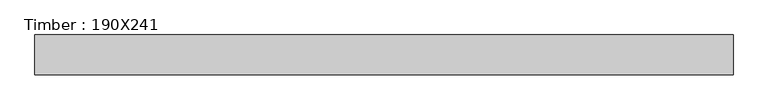
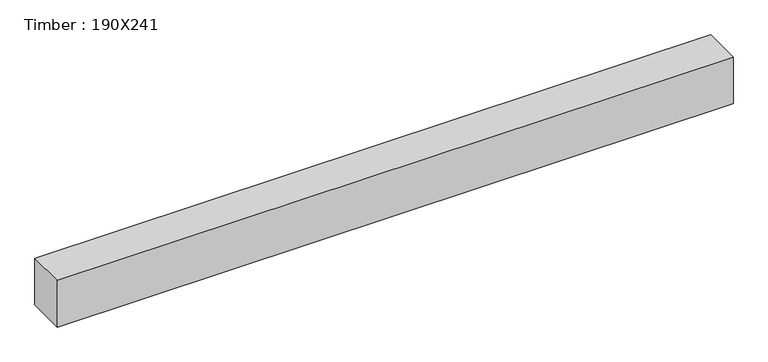
"""IFC4 building model written with IfcOpenShell, lengths in millimetres: beam geometry, Timber : 190X241."""

import ifcopenshell
import ifcopenshell.guid

model = None  # the IFC model being written
_history = None  # IfcOwnerHistory: only IFC2X3 demands one
_inside = {}  # id of a spatial element -> (the spatial element, [elements in it])
_under = {}  # id of a project, library or spatial element -> (it, [spatial elements below it])
_declared = {}  # id of a project -> (the project, [libraries it declares])
_typed = {}  # id of a type object -> (the type object, [elements of that type])
_made_of = {}  # id of a material, layer set ... -> (it, [elements and type objects made of it])


def new_model(schema):
    """Start an empty IFC model of exactly this schema.

    Asked for "IFC4X3", IfcOpenShell would pick the latest addendum, in which some entities
    have other attributes; the version numbers below select the first issue.
    IFC2X3 requires an IfcOwnerHistory on every rooted entity: one is made here for all.
    """
    global model, _history
    if schema == "IFC4X3":
        model = ifcopenshell.file(schema_version=(4, 3, 0, 0))
    else:
        model = ifcopenshell.file(schema=schema)
    _inside.clear()
    _under.clear()
    _declared.clear()
    _typed.clear()
    _made_of.clear()
    _history = None
    if model.schema == "IFC2X3":
        org = make("IfcOrganization", Name="unknown")
        user = make(
            "IfcPersonAndOrganization",
            ThePerson=make("IfcPerson", FamilyName="unknown"),
            TheOrganization=org,
        )
        app = make(
            "IfcApplication",
            ApplicationDeveloper=org,
            Version="unknown",
            ApplicationFullName="unknown",
            ApplicationIdentifier="unknown",
        )
        _history = make(
            "IfcOwnerHistory",
            OwningUser=user,
            OwningApplication=app,
            ChangeAction="ADDED",
            CreationDate=0,
        )
    return model


def make(cls, **values):
    """One entity of the class cls with the attributes given. An attribute that is None is left unset."""
    return model.create_entity(
        cls, **{name: value for name, value in values.items() if value is not None}
    )


def rooted(cls, **values):
    """An entity with a GlobalId (a new one), such as an element, a storey or a relation."""
    return make(cls, GlobalId=ifcopenshell.guid.new(), OwnerHistory=_history, **values)


def si_unit(unit_type, name, prefix=None):
    """IfcSIUnit, for example si_unit("LENGTHUNIT", "METRE", prefix="MILLI")."""
    return make("IfcSIUnit", UnitType=unit_type, Prefix=prefix, Name=name)


def assignment(units):
    """IfcUnitAssignment: the units of a project."""
    return None if units is None else make("IfcUnitAssignment", Units=units)


def point(xyz):
    """IfcCartesianPoint."""
    return None if xyz is None else make("IfcCartesianPoint", Coordinates=xyz)


def direction(xyz):
    """IfcDirection."""
    return None if xyz is None else make("IfcDirection", DirectionRatios=xyz)


def frame(location, z_axis=None, x_axis=None):
    """IfcAxis2Placement3D, a coordinate frame: its origin and axes. An axis left out is left unset."""
    return make(
        "IfcAxis2Placement3D",
        Location=point(location),
        Axis=direction(z_axis),
        RefDirection=direction(x_axis),
    )


def origin():
    """The frame at (0, 0, 0) with its axes left unset."""
    return frame((0.0, 0.0, 0.0))


def place(relative_to, where):
    """IfcLocalPlacement: puts the frame where relative to a parent placement (None: the world)."""
    return make(
        "IfcLocalPlacement", PlacementRelTo=relative_to, RelativePlacement=where
    )


def context(
    kind, dimensions, precision=None, world=None, true_north=None, identifier=None
):
    """IfcGeometricRepresentationContext, for example the 3D "Model" context."""
    return make(
        "IfcGeometricRepresentationContext",
        ContextIdentifier=identifier,
        ContextType=kind,
        CoordinateSpaceDimension=dimensions,
        Precision=precision,
        WorldCoordinateSystem=world,
        TrueNorth=true_north,
    )


def project(units=None, contexts=None):
    """IfcProject with its units and contexts."""
    return rooted(
        "IfcProject",
        Name="project",
        RepresentationContexts=contexts,
        UnitsInContext=assignment(units),
    )


def spatial(cls, under=None, at=None, **own):
    """A site, building, storey or space (cls), placed at a placement, below another one or the project."""
    s = rooted(cls, ObjectPlacement=at, **own)
    if under is not None:
        _under.setdefault(under.id(), (under, []))[1].append(s)
    return s


def polyline(points):
    """IfcPolyline through the points."""
    return make("IfcPolyline", Points=[point(p) for p in points])


def outline(outer, holes=None, kind="AREA"):
    """IfcArbitraryClosedProfileDef: a profile drawn as a closed curve; with holes, ...WithVoids."""
    if holes is None:
        return make("IfcArbitraryClosedProfileDef", ProfileType=kind, OuterCurve=outer)
    return make(
        "IfcArbitraryProfileDefWithVoids",
        ProfileType=kind,
        OuterCurve=outer,
        InnerCurves=holes,
    )


def extrude(swept, where, along, depth):
    """IfcExtrudedAreaSolid: the profile swept, set in the frame where, extruded along a direction by depth."""
    return make(
        "IfcExtrudedAreaSolid",
        SweptArea=swept,
        Position=where,
        ExtrudedDirection=direction(along),
        Depth=depth,
    )


def shape(context_of_items, identifier, shape_type, items):
    """IfcShapeRepresentation: the items that make up one representation, for example the "Body"."""
    return make(
        "IfcShapeRepresentation",
        ContextOfItems=context_of_items,
        RepresentationIdentifier=identifier,
        RepresentationType=shape_type,
        Items=items,
    )


def source(mapping_origin, context_of_items, identifier, shape_type, items):
    """IfcRepresentationMap: a shape defined once, which mapped items show again and again."""
    return make(
        "IfcRepresentationMap",
        MappingOrigin=mapping_origin,
        MappedRepresentation=shape(context_of_items, identifier, shape_type, items),
    )


def transform(
    local_origin,
    x_axis=None,
    y_axis=None,
    z_axis=None,
    scale=None,
    scale2=None,
    scale3=None,
    uniform=True,
):
    """IfcCartesianTransformationOperator3D, or its non-uniform kind. x_axis, y_axis, z_axis: its Axis1, 2, 3."""
    if uniform:
        return make(
            "IfcCartesianTransformationOperator3D",
            Axis1=direction(x_axis),
            Axis2=direction(y_axis),
            LocalOrigin=point(local_origin),
            Scale=scale,
            Axis3=direction(z_axis),
        )
    return make(
        "IfcCartesianTransformationOperator3DnonUniform",
        Axis1=direction(x_axis),
        Axis2=direction(y_axis),
        LocalOrigin=point(local_origin),
        Scale=scale,
        Axis3=direction(z_axis),
        Scale2=scale2,
        Scale3=scale3,
    )


def mapped(mapping_source, mapping_target):
    """IfcMappedItem: shows the shape of a source again, moved by a transform."""
    return make(
        "IfcMappedItem", MappingSource=mapping_source, MappingTarget=mapping_target
    )


def made_of(thing, what):
    """Note that an element or type object is made of a material, layer set ...; save() writes the relation."""
    if what is not None:
        _made_of.setdefault(what.id(), (what, []))[1].append(thing)
    return thing


def element(
    cls,
    number,
    at=None,
    inside=None,
    cuts=None,
    type_object=None,
    material=None,
    context=None,
    identifier="Body",
    shape_type=None,
    held_by="IfcProductDefinitionShape",
    body=None,
    shapes=None,
    **own,
):
    """One element of the class cls, such as IfcWall. Its Tag is "e" and its number.

    at: its placement. inside: the storey or other place that contains it. cuts: it is an
    opening in that element (IfcRelVoidsElement). A single representation is given by context,
    identifier, shape_type and body (its items); several are given by shapes. held_by: the class
    of the entity that holds the representations. save() writes the other relations.
    """
    e = rooted(cls, Tag="e%d" % number, ObjectPlacement=at, **own)
    if body is not None:
        shapes = [shape(context, identifier, shape_type, body)]
    if shapes is not None:
        e.Representation = make(held_by, Representations=shapes)
    if inside is not None:
        _inside.setdefault(inside.id(), (inside, []))[1].append(e)
    if cuts is not None:
        rooted(
            "IfcRelVoidsElement", RelatingBuildingElement=cuts, RelatedOpeningElement=e
        )
    if type_object is not None:
        _typed.setdefault(type_object.id(), (type_object, []))[1].append(e)
    return made_of(e, material)


def aggregate(whole, parts):
    """IfcRelAggregates: a whole, such as a stair, and the parts it consists of."""
    return rooted("IfcRelAggregates", RelatingObject=whole, RelatedObjects=parts)


def save(model, path):
    """Write the relations noted so far, then the file.

    IfcRelAggregates (storeys below a building ...), IfcRelContainedInSpatialStructure (elements
    in a storey), IfcRelDefinesByType, IfcRelAssociatesMaterial and IfcRelDeclares: one each for
    every whole, place, type object, material and project.
    """
    for whole, parts in _under.values():
        aggregate(whole, parts)
    for where, things in _inside.values():
        rooted(
            "IfcRelContainedInSpatialStructure",
            RelatedElements=things,
            RelatingStructure=where,
        )
    for kind, things in _typed.values():
        rooted("IfcRelDefinesByType", RelatedObjects=things, RelatingType=kind)
    for what, things in _made_of.values():
        rooted("IfcRelAssociatesMaterial", RelatedObjects=things, RelatingMaterial=what)
    for by, libraries in _declared.values():
        rooted("IfcRelDeclares", RelatingContext=by, RelatedDefinitions=libraries)
    model.write(path)


def timber_190x241_f2c66041(model_context):
    return source(origin(), model_context, "Body", "SweptSolid", [
        extrude(outline(polyline([(1758.5, -95.0), (-1550.5, -95.0), (-1550.5, 95.0), (1758.5, 95.0), (1758.5, -95.0)])), frame((0.0, 0.0, -120.5), z_axis=(0.0, 0.0, 1.0), x_axis=(1.0, 0.0, 0.0)), (0.0, 0.0, 1.0), 241.0),
    ])


if __name__ == "__main__":
    model = new_model("IFC4")
    model_context = context("Model", 3, world=origin())
    ifc_project = project(units=[si_unit("LENGTHUNIT", "METRE", prefix="MILLI")], contexts=[model_context])
    site = spatial("IfcSite", under=ifc_project)
    building = spatial("IfcBuilding", under=site)
    placement = place(None, origin())
    timber_190x241_shape = timber_190x241_f2c66041(model_context)
    element("IfcBeam", 1, ObjectType="Timber : 190X241", at=placement, inside=building, context=model_context, shape_type="MappedRepresentation", body=[
        mapped(timber_190x241_shape, transform((0.0, 0.0, 0.0), x_axis=(1.0, 0.0, 0.0), y_axis=(0.0, 1.0, 0.0), z_axis=(0.0, 0.0, 1.0))),
    ])
    save(model, "model.ifc")
